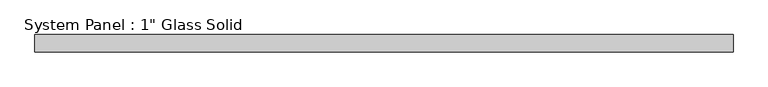
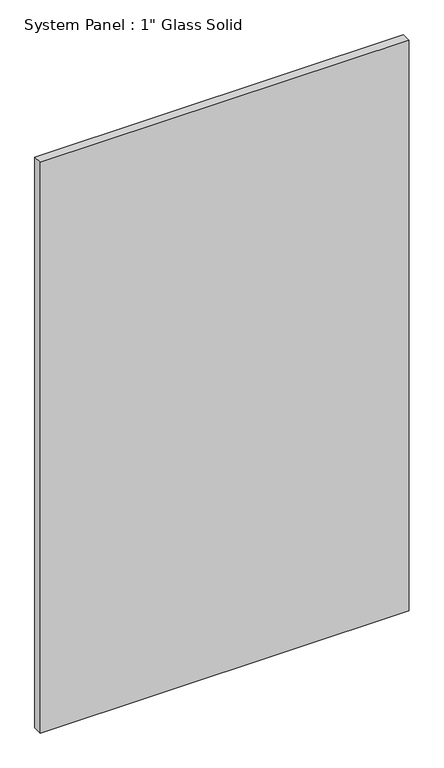
"""IFC4 building model written with IfcOpenShell, lengths in millimetres: plate geometry."""

from ifc_helpers import new_model, si_unit, origin, origin_with_axes, place, context, project, spatial, polyline, outline, extrude, source, transform, mapped, element, save


def plate_067823eb(model_context):
    return source(origin(), model_context, "Body", "SweptSolid", [
        extrude(outline(polyline([(509.8520833, -12.7), (-509.8520833, -12.7), (-509.8520833, 12.7), (509.8520833, 12.7), (509.8520833, -12.7)])), origin_with_axes(), (0.0, 0.0, 1.0), 1666.875),
    ])


if __name__ == "__main__":
    model = new_model("IFC4")
    model_context = context("Model", 3, world=origin())
    ifc_project = project(units=[si_unit("LENGTHUNIT", "METRE", prefix="MILLI")], contexts=[model_context])
    site = spatial("IfcSite", under=ifc_project)
    building = spatial("IfcBuilding", under=site)
    placement = place(None, origin())
    plate_shape = plate_067823eb(model_context)
    element("IfcPlate", 1, ObjectType="System Panel : 1\" Glass Solid", at=placement, inside=building, context=model_context, shape_type="MappedRepresentation", body=[
        mapped(plate_shape, transform((0.0, 0.0, 0.0), x_axis=(1.0, 0.0, 0.0), y_axis=(0.0, 1.0, 0.0), z_axis=(0.0, 0.0, 1.0))),
    ])
    save(model, "model.ifc")
